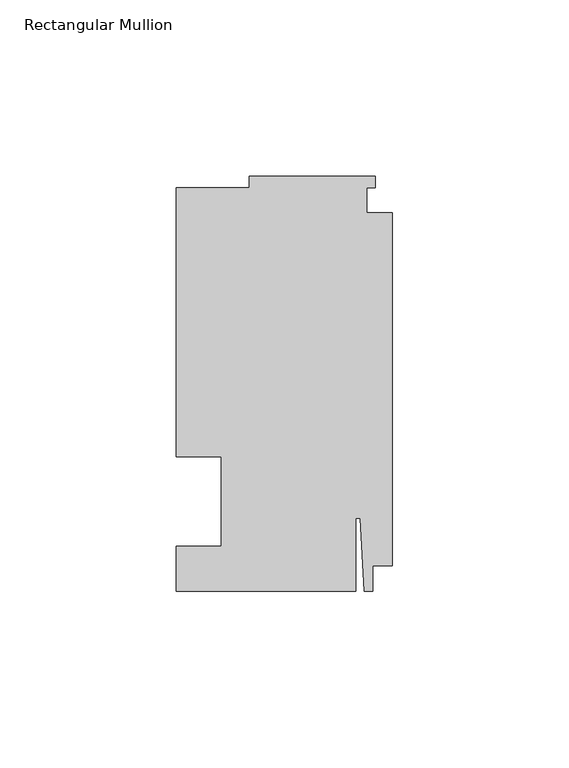
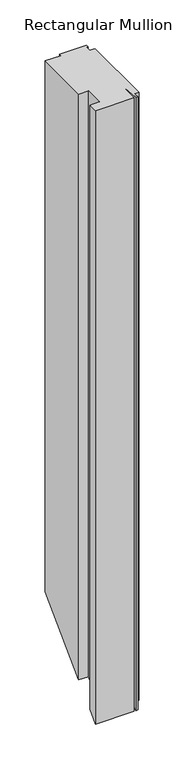
"""IFC4 building model written with IfcOpenShell, lengths in millimetres: member geometry, Rectangular Mullion."""

from ifc_helpers import new_model, si_unit, origin, place, context, project, spatial, faceted_brep, source, transform, mapped, element, save


def rectangular_mullion_163cbf2e(model_context):
    return source(origin(), model_context, "Body", "Brep", [
        faceted_brep([(-48.41875, 12.7, 0.0), (-48.41875, -12.7, 0.0), (-61.11875, -12.7, 0.0), (-61.11875, -25.4, 0.0), (-10.31875, -25.4, 0.0), (-10.31875, -4.7625, 0.0), (-9.0190655, -4.7625, 0.0), (-7.9375, -25.4, 0.0), (-5.55625, -25.4, 0.0), (-5.55625, -18.25625, 0.0), (0.0, -18.25625, 0.0), (0.0, 81.75625, 0.0), (-7.14375, 81.75625, 0.0), (-7.14375, 88.9, 0.0), (-4.7625, 88.9, 0.0), (-4.7625, 92.075, 0.0), (-40.48125, 92.075, 0.0), (-40.48125, 88.9, 0.0), (-61.11875, 88.9, 0.0), (-61.11875, 12.7, 0.0), (-48.41875, 12.7, -812.8), (-48.41875, -12.7, -838.2), (-61.11875, -12.7, -838.2), (-61.11875, -25.4, -850.9), (-10.31875, -25.4, -850.9), (-10.31875, -4.7625, -830.2625), (-9.0190655, -4.7625, -830.2625), (-7.9375, -25.4, -850.9), (-5.55625, -25.4, -850.9), (-5.55625, -18.25625, -843.75625), (0.0, -18.25625, -843.75625), (0.0, 81.75625, -743.74375), (-7.14375, 81.75625, -743.74375), (-7.14375, 88.9, -736.6), (-4.7625, 88.9, -736.6), (-4.7625, 92.075, -733.425), (-40.48125, 92.075, -733.425), (-40.48125, 88.9, -736.6), (-61.11875, 88.9, -736.6), (-61.11875, 12.7, -812.8)], [[[0, 1, 2, 3, 4, 5, 6, 7, 8, 9, 10, 11, 12, 13, 14, 15, 16, 17, 18, 19]], [[1, 0, 20, 21]], [[2, 1, 21, 22]], [[3, 2, 22, 23]], [[4, 3, 23, 24]], [[5, 4, 24, 25]], [[6, 5, 25, 26]], [[7, 6, 26, 27]], [[8, 7, 27, 28]], [[9, 8, 28, 29]], [[10, 9, 29, 30]], [[11, 10, 30, 31]], [[12, 11, 31, 32]], [[13, 12, 32, 33]], [[14, 13, 33, 34]], [[15, 14, 34, 35]], [[16, 15, 35, 36]], [[17, 16, 36, 37]], [[18, 17, 37, 38]], [[19, 18, 38, 39]], [[0, 19, 39, 20]], [[20, 39, 38, 37, 36, 35, 34, 33, 32, 31, 30, 29, 28, 27, 26, 25, 24, 23, 22, 21]]]),
    ])


if __name__ == "__main__":
    model = new_model("IFC4")
    model_context = context("Model", 3, world=origin())
    ifc_project = project(units=[si_unit("LENGTHUNIT", "METRE", prefix="MILLI")], contexts=[model_context])
    site = spatial("IfcSite", under=ifc_project)
    building = spatial("IfcBuilding", under=site)
    placement = place(None, origin())
    rectangular_mullion_shape = rectangular_mullion_163cbf2e(model_context)
    element("IfcMember", 1, ObjectType="Rectangular Mullion", at=placement, inside=building, context=model_context, shape_type="MappedRepresentation", body=[
        mapped(rectangular_mullion_shape, transform((0.0, 0.0, 0.0), x_axis=(1.0, 0.0, 0.0), y_axis=(0.0, 1.0, 0.0), z_axis=(0.0, 0.0, 1.0))),
    ])
    save(model, "model.ifc")
